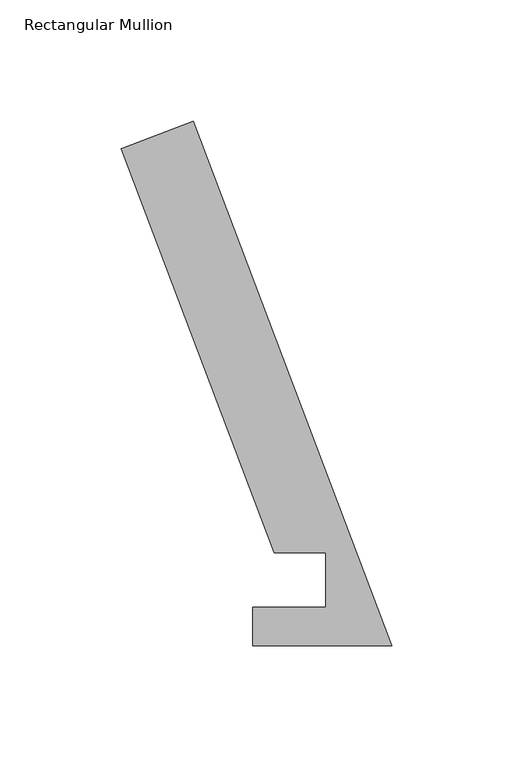
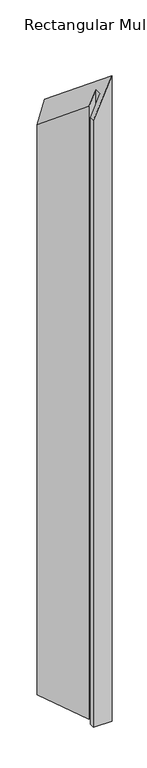
"""IFC4 building model written with IfcOpenShell, lengths in millimetres: member geometry, Rectangular Mullion."""

from ifc_helpers import new_model, si_unit, origin, place, context, project, spatial, faceted_brep, source, transform, mapped, element, save


def rectangular_mullion_65513416(model_context):
    return source(origin(), model_context, "Body", "Brep", [
        faceted_brep([(-81.7304777, 216.3314444, -178.8999292), (0.0, 0.0380112, 0.0), (0.0, 0.0380112, -2083.2645823), (-81.7304777, 216.3314444, -2083.2645823), (-111.4308257, 205.1086181, -243.9110524), (-111.4308257, 205.1086181, -2083.2645823), (-48.4318773, 38.386739, -106.0125876), (-48.4318773, 38.386739, -2083.2645823), (-27.1188377, 38.4070265, -59.3604525), (-27.1188377, 38.4070265, -2083.2645823), (-27.171167, 15.9130112, -59.4749962), (-27.171167, 15.9130112, -2083.2645823), (-57.2922169, 15.9130112, -125.4069943), (-57.2922169, 15.9130112, -2083.2645823), (-57.2922169, 0.0380112, -125.4069943), (-57.2922169, 0.0380112, -2083.2645823)], [[[0, 1, 2, 3]], [[4, 0, 3, 5]], [[6, 4, 5, 7]], [[8, 6, 7, 9]], [[10, 8, 9, 11]], [[12, 10, 11, 13]], [[14, 12, 13, 15]], [[1, 14, 15, 2]], [[1, 0, 4, 6, 8, 10, 12, 14]], [[2, 15, 13, 11, 9, 7, 5, 3]]]),
    ])


if __name__ == "__main__":
    model = new_model("IFC4")
    model_context = context("Model", 3, world=origin())
    ifc_project = project(units=[si_unit("LENGTHUNIT", "METRE", prefix="MILLI")], contexts=[model_context])
    site = spatial("IfcSite", under=ifc_project)
    building = spatial("IfcBuilding", under=site)
    placement = place(None, origin())
    rectangular_mullion_shape = rectangular_mullion_65513416(model_context)
    element("IfcMember", 1, ObjectType="Rectangular Mullion", at=placement, inside=building, context=model_context, shape_type="MappedRepresentation", body=[
        mapped(rectangular_mullion_shape, transform((0.0, 0.0, 0.0), x_axis=(1.0, 0.0, 0.0), y_axis=(0.0, 1.0, 0.0), z_axis=(0.0, 0.0, 1.0))),
    ])
    save(model, "model.ifc")
